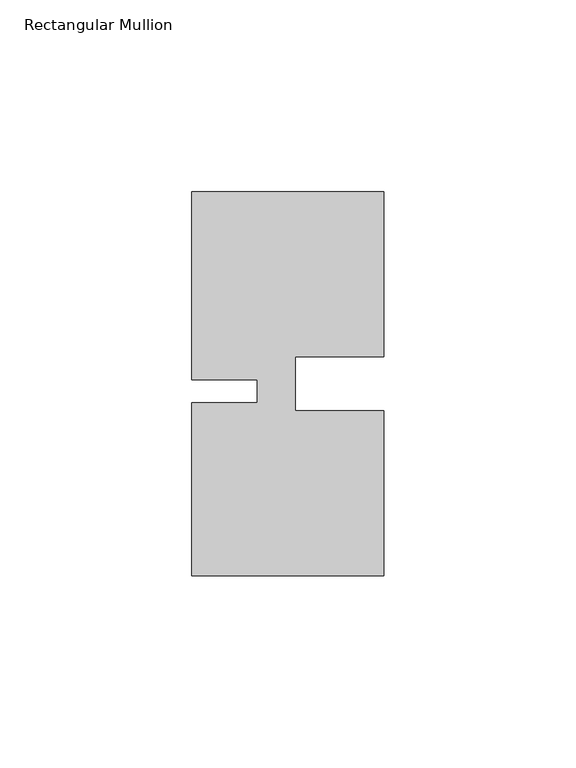
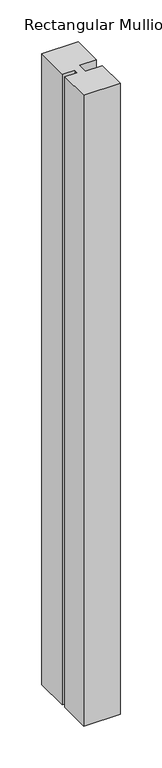
"""IFC4 building model written with IfcOpenShell, lengths in millimetres: member geometry, Rectangular Mullion."""

import ifcopenshell
import ifcopenshell.guid

model = None  # the IFC model being written
_history = None  # IfcOwnerHistory: only IFC2X3 demands one
_inside = {}  # id of a spatial element -> (the spatial element, [elements in it])
_under = {}  # id of a project, library or spatial element -> (it, [spatial elements below it])
_declared = {}  # id of a project -> (the project, [libraries it declares])
_typed = {}  # id of a type object -> (the type object, [elements of that type])
_made_of = {}  # id of a material, layer set ... -> (it, [elements and type objects made of it])


def new_model(schema):
    """Start an empty IFC model of exactly this schema.

    Asked for "IFC4X3", IfcOpenShell would pick the latest addendum, in which some entities
    have other attributes; the version numbers below select the first issue.
    IFC2X3 requires an IfcOwnerHistory on every rooted entity: one is made here for all.
    """
    global model, _history
    if schema == "IFC4X3":
        model = ifcopenshell.file(schema_version=(4, 3, 0, 0))
    else:
        model = ifcopenshell.file(schema=schema)
    _inside.clear()
    _under.clear()
    _declared.clear()
    _typed.clear()
    _made_of.clear()
    _history = None
    if model.schema == "IFC2X3":
        org = make("IfcOrganization", Name="unknown")
        user = make(
            "IfcPersonAndOrganization",
            ThePerson=make("IfcPerson", FamilyName="unknown"),
            TheOrganization=org,
        )
        app = make(
            "IfcApplication",
            ApplicationDeveloper=org,
            Version="unknown",
            ApplicationFullName="unknown",
            ApplicationIdentifier="unknown",
        )
        _history = make(
            "IfcOwnerHistory",
            OwningUser=user,
            OwningApplication=app,
            ChangeAction="ADDED",
            CreationDate=0,
        )
    return model


def make(cls, **values):
    """One entity of the class cls with the attributes given. An attribute that is None is left unset."""
    return model.create_entity(
        cls, **{name: value for name, value in values.items() if value is not None}
    )


def rooted(cls, **values):
    """An entity with a GlobalId (a new one), such as an element, a storey or a relation."""
    return make(cls, GlobalId=ifcopenshell.guid.new(), OwnerHistory=_history, **values)


def si_unit(unit_type, name, prefix=None):
    """IfcSIUnit, for example si_unit("LENGTHUNIT", "METRE", prefix="MILLI")."""
    return make("IfcSIUnit", UnitType=unit_type, Prefix=prefix, Name=name)


def assignment(units):
    """IfcUnitAssignment: the units of a project."""
    return None if units is None else make("IfcUnitAssignment", Units=units)


def point(xyz):
    """IfcCartesianPoint."""
    return None if xyz is None else make("IfcCartesianPoint", Coordinates=xyz)


def direction(xyz):
    """IfcDirection."""
    return None if xyz is None else make("IfcDirection", DirectionRatios=xyz)


def frame(location, z_axis=None, x_axis=None):
    """IfcAxis2Placement3D, a coordinate frame: its origin and axes. An axis left out is left unset."""
    return make(
        "IfcAxis2Placement3D",
        Location=point(location),
        Axis=direction(z_axis),
        RefDirection=direction(x_axis),
    )


def origin():
    """The frame at (0, 0, 0) with its axes left unset."""
    return frame((0.0, 0.0, 0.0))


def place(relative_to, where):
    """IfcLocalPlacement: puts the frame where relative to a parent placement (None: the world)."""
    return make(
        "IfcLocalPlacement", PlacementRelTo=relative_to, RelativePlacement=where
    )


def context(
    kind, dimensions, precision=None, world=None, true_north=None, identifier=None
):
    """IfcGeometricRepresentationContext, for example the 3D "Model" context."""
    return make(
        "IfcGeometricRepresentationContext",
        ContextIdentifier=identifier,
        ContextType=kind,
        CoordinateSpaceDimension=dimensions,
        Precision=precision,
        WorldCoordinateSystem=world,
        TrueNorth=true_north,
    )


def project(units=None, contexts=None):
    """IfcProject with its units and contexts."""
    return rooted(
        "IfcProject",
        Name="project",
        RepresentationContexts=contexts,
        UnitsInContext=assignment(units),
    )


def spatial(cls, under=None, at=None, **own):
    """A site, building, storey or space (cls), placed at a placement, below another one or the project."""
    s = rooted(cls, ObjectPlacement=at, **own)
    if under is not None:
        _under.setdefault(under.id(), (under, []))[1].append(s)
    return s


def polyline(points):
    """IfcPolyline through the points."""
    return make("IfcPolyline", Points=[point(p) for p in points])


def outline(outer, holes=None, kind="AREA"):
    """IfcArbitraryClosedProfileDef: a profile drawn as a closed curve; with holes, ...WithVoids."""
    if holes is None:
        return make("IfcArbitraryClosedProfileDef", ProfileType=kind, OuterCurve=outer)
    return make(
        "IfcArbitraryProfileDefWithVoids",
        ProfileType=kind,
        OuterCurve=outer,
        InnerCurves=holes,
    )


def extrude(swept, where, along, depth):
    """IfcExtrudedAreaSolid: the profile swept, set in the frame where, extruded along a direction by depth."""
    return make(
        "IfcExtrudedAreaSolid",
        SweptArea=swept,
        Position=where,
        ExtrudedDirection=direction(along),
        Depth=depth,
    )


def shape(context_of_items, identifier, shape_type, items):
    """IfcShapeRepresentation: the items that make up one representation, for example the "Body"."""
    return make(
        "IfcShapeRepresentation",
        ContextOfItems=context_of_items,
        RepresentationIdentifier=identifier,
        RepresentationType=shape_type,
        Items=items,
    )


def source(mapping_origin, context_of_items, identifier, shape_type, items):
    """IfcRepresentationMap: a shape defined once, which mapped items show again and again."""
    return make(
        "IfcRepresentationMap",
        MappingOrigin=mapping_origin,
        MappedRepresentation=shape(context_of_items, identifier, shape_type, items),
    )


def transform(
    local_origin,
    x_axis=None,
    y_axis=None,
    z_axis=None,
    scale=None,
    scale2=None,
    scale3=None,
    uniform=True,
):
    """IfcCartesianTransformationOperator3D, or its non-uniform kind. x_axis, y_axis, z_axis: its Axis1, 2, 3."""
    if uniform:
        return make(
            "IfcCartesianTransformationOperator3D",
            Axis1=direction(x_axis),
            Axis2=direction(y_axis),
            LocalOrigin=point(local_origin),
            Scale=scale,
            Axis3=direction(z_axis),
        )
    return make(
        "IfcCartesianTransformationOperator3DnonUniform",
        Axis1=direction(x_axis),
        Axis2=direction(y_axis),
        LocalOrigin=point(local_origin),
        Scale=scale,
        Axis3=direction(z_axis),
        Scale2=scale2,
        Scale3=scale3,
    )


def mapped(mapping_source, mapping_target):
    """IfcMappedItem: shows the shape of a source again, moved by a transform."""
    return make(
        "IfcMappedItem", MappingSource=mapping_source, MappingTarget=mapping_target
    )


def made_of(thing, what):
    """Note that an element or type object is made of a material, layer set ...; save() writes the relation."""
    if what is not None:
        _made_of.setdefault(what.id(), (what, []))[1].append(thing)
    return thing


def element(
    cls,
    number,
    at=None,
    inside=None,
    cuts=None,
    type_object=None,
    material=None,
    context=None,
    identifier="Body",
    shape_type=None,
    held_by="IfcProductDefinitionShape",
    body=None,
    shapes=None,
    **own,
):
    """One element of the class cls, such as IfcWall. Its Tag is "e" and its number.

    at: its placement. inside: the storey or other place that contains it. cuts: it is an
    opening in that element (IfcRelVoidsElement). A single representation is given by context,
    identifier, shape_type and body (its items); several are given by shapes. held_by: the class
    of the entity that holds the representations. save() writes the other relations.
    """
    e = rooted(cls, Tag="e%d" % number, ObjectPlacement=at, **own)
    if body is not None:
        shapes = [shape(context, identifier, shape_type, body)]
    if shapes is not None:
        e.Representation = make(held_by, Representations=shapes)
    if inside is not None:
        _inside.setdefault(inside.id(), (inside, []))[1].append(e)
    if cuts is not None:
        rooted(
            "IfcRelVoidsElement", RelatingBuildingElement=cuts, RelatedOpeningElement=e
        )
    if type_object is not None:
        _typed.setdefault(type_object.id(), (type_object, []))[1].append(e)
    return made_of(e, material)


def aggregate(whole, parts):
    """IfcRelAggregates: a whole, such as a stair, and the parts it consists of."""
    return rooted("IfcRelAggregates", RelatingObject=whole, RelatedObjects=parts)


def save(model, path):
    """Write the relations noted so far, then the file.

    IfcRelAggregates (storeys below a building ...), IfcRelContainedInSpatialStructure (elements
    in a storey), IfcRelDefinesByType, IfcRelAssociatesMaterial and IfcRelDeclares: one each for
    every whole, place, type object, material and project.
    """
    for whole, parts in _under.values():
        aggregate(whole, parts)
    for where, things in _inside.values():
        rooted(
            "IfcRelContainedInSpatialStructure",
            RelatedElements=things,
            RelatingStructure=where,
        )
    for kind, things in _typed.values():
        rooted("IfcRelDefinesByType", RelatedObjects=things, RelatingType=kind)
    for what, things in _made_of.values():
        rooted("IfcRelAssociatesMaterial", RelatedObjects=things, RelatingMaterial=what)
    for by, libraries in _declared.values():
        rooted("IfcRelDeclares", RelatingContext=by, RelatedDefinitions=libraries)
    model.write(path)


def rectangular_mullion_b2e1e760(model_context):
    return source(origin(), model_context, "Body", "SweptSolid", [
        extrude(outline(polyline([(-23.0000341, -5.000031), (-4.2e-06, -5.0000287), (0.0, -48.0000271), (-50.0, -48.000032), (-50.0000044, -3.000032), (-33.0004661, -3.0000303), (-33.0004667, 2.999987), (-50.000005, 2.9999853), (-50.0000098, 51.999968), (-3.44e-05, 51.999968), (-3.44e-05, 8.9999707), (-23.0000354, 8.9999684), (-23.0000341, -5.000031)])), frame((0.0, 0.0, -919.2839882), z_axis=(0.0, 0.0, 1.0), x_axis=(1.0, 0.0, 0.0)), (0.0, 0.0, 1.0), 919.2839882),
    ])


if __name__ == "__main__":
    model = new_model("IFC4")
    model_context = context("Model", 3, world=origin())
    ifc_project = project(units=[si_unit("LENGTHUNIT", "METRE", prefix="MILLI")], contexts=[model_context])
    site = spatial("IfcSite", under=ifc_project)
    building = spatial("IfcBuilding", under=site)
    placement = place(None, origin())
    rectangular_mullion_shape = rectangular_mullion_b2e1e760(model_context)
    element("IfcMember", 1, ObjectType="Rectangular Mullion", at=placement, inside=building, context=model_context, shape_type="MappedRepresentation", body=[
        mapped(rectangular_mullion_shape, transform((0.0, 0.0, 0.0), x_axis=(1.0, 0.0, 0.0), y_axis=(0.0, 1.0, 0.0), z_axis=(0.0, 0.0, 1.0))),
    ])
    save(model, "model.ifc")
